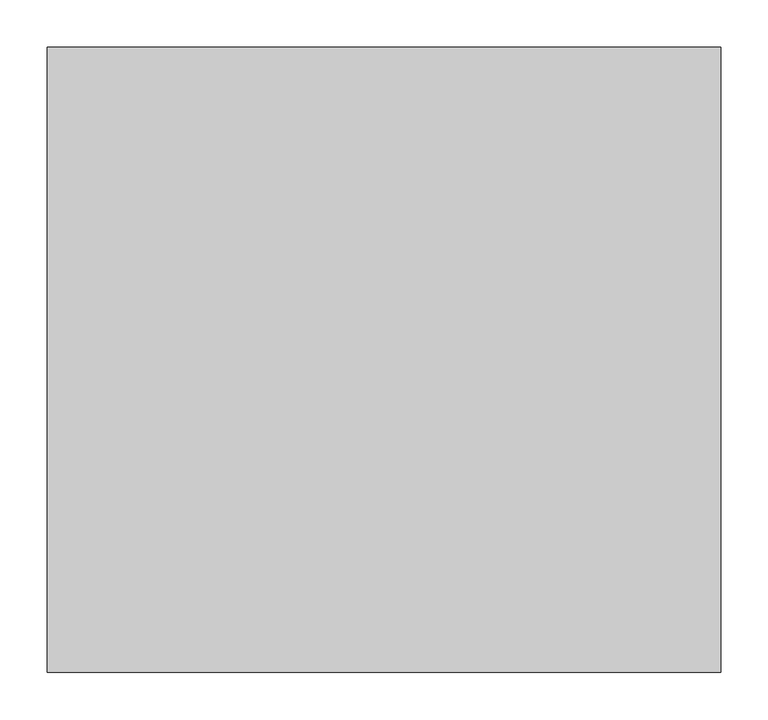
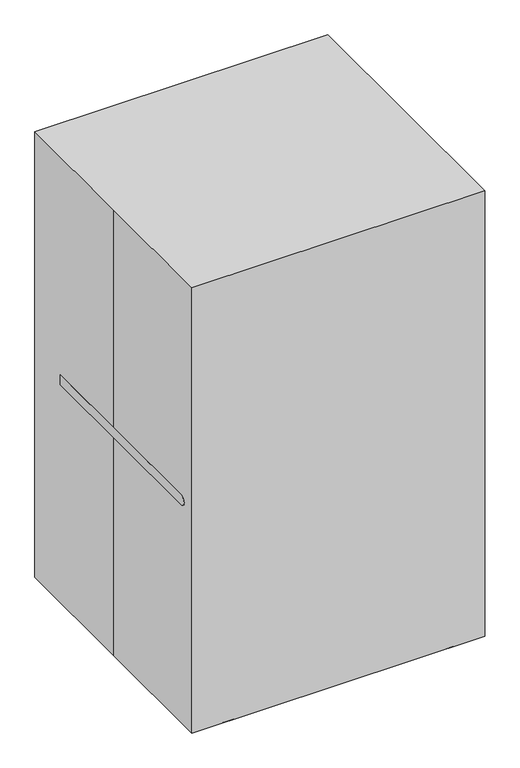
"""IFC4 building model written with IfcOpenShell, lengths in millimetres: proxy geometry."""

from ifc_helpers import new_model, si_unit, point, frame, frame_2d, origin, origin_with_axes, place, context, project, spatial, polyline, circle_curve, trimmed, segment, composite_curve, outline, extrude, source, transform, mapped, element, save


def specialty_equipment_62103501(model_context):
    return source(origin(), model_context, "Body", "SweptSolid", [
        extrude(outline(polyline([(51.1608426, 279.3620973), (260.35, 279.3620973), (260.35, 228.5620973), (25.4, 228.5620973), (25.4, 253.9620973), (51.1608426, 253.9620973), (51.1608426, 279.3620973)])), frame((0.0, -195.0719564, 0.0), z_axis=(0.0, 1.0, 0.0), x_axis=(0.0, 0.0, 1.0)), (0.0, 0.0, 1.0), 335.8487477),
        extrude(outline(polyline([(51.1608426, -279.3620973), (51.1608426, -253.9620973), (25.4, -253.9620973), (25.4, -228.5620973), (260.35, -228.5620973), (260.35, -279.3620973), (51.1608426, -279.3620973)])), frame((0.0, -195.0719564, 0.0), z_axis=(0.0, 1.0, 0.0), x_axis=(0.0, 0.0, 1.0)), (0.0, 0.0, 1.0), 335.8487477),
        extrude(outline(polyline([(0.0, -17.4625001), (0.0, 0.0), (457.1241946, 0.0), (457.1241946, -17.4625001), (0.0, -17.4625001)])), frame((228.5620973, 69.8141966, 105.1526289), z_axis=(0.0, 0.6050832675335499, 0.7961621941231086), x_axis=(-1.0, 0.0, 0.0)), (0.0, 0.0, 1.0), 93.8711689),
        extrude(outline(polyline([(0.0, -17.4625), (0.0, 0.0), (457.1241946, 0.0), (457.1241946, -17.4625), (0.0, -17.4625)])), frame((228.5620973, -129.0090984, 91.0377454), z_axis=(0.0, -0.6050832675335499, 0.7961621941231086), x_axis=(-1.0, 0.0, 0.0)), (0.0, 0.0, 1.0), 98.3283222),
        extrude(outline(composite_curve([segment(polyline([(-254.0, 0.0), (-330.2, 0.0)]), True, "CONTINUOUS"), segment(trimmed(circle_curve(frame_2d((-232.280998, -68.1253356)), 119.2861782), [point((-330.2, 0.0))], [point((-223.0097057, 50.8))], False, "CARTESIAN"), True, "CONTINUOUS"), segment(polyline([(-223.0097057, 50.8), (178.5528819, 50.8)]), True, "CONTINUOUS"), segment(trimmed(circle_curve(frame_2d((185.0313755, -61.8388426)), 112.8249961), [point((178.5528819, 50.8))], [point((279.4, 0.0))], False, "CARTESIAN"), True, "CONTINUOUS"), segment(polyline([(279.4, 0.0), (203.2, 0.0)]), True, "CONTINUOUS"), segment(trimmed(circle_curve(frame_2d((-25.4, -1804.0054931)), 1818.4316812), [point((203.2, 0.0))], [point((-254.0, 0.0))], True, "CARTESIAN"), True, "CONTINUOUS")], self_intersect=False)), frame((253.9620973, 0.0, 0.0), z_axis=(1.0, 0.0, 0.0), x_axis=(0.0, 1.0, 0.0)), (0.0, 0.0, 1.0), 25.4),
        extrude(outline(composite_curve([segment(polyline([(-254.0, 0.0), (-330.2, 0.0)]), True, "CONTINUOUS"), segment(trimmed(circle_curve(frame_2d((-232.280998, -68.1253356)), 119.2861782), [point((-330.2, 0.0))], [point((-223.0097057, 50.8))], False, "CARTESIAN"), True, "CONTINUOUS"), segment(polyline([(-223.0097057, 50.8), (178.5528819, 50.8)]), True, "CONTINUOUS"), segment(trimmed(circle_curve(frame_2d((185.0313755, -61.8388426)), 112.8249961), [point((178.5528819, 50.8))], [point((279.4, 0.0))], False, "CARTESIAN"), True, "CONTINUOUS"), segment(polyline([(279.4, 0.0), (203.2, 0.0)]), True, "CONTINUOUS"), segment(trimmed(circle_curve(frame_2d((-25.4, -1804.0054931)), 1818.4316812), [point((203.2, 0.0))], [point((-254.0, 0.0))], True, "CARTESIAN"), True, "CONTINUOUS")], self_intersect=False)), frame((-279.3620973, 0.0, 0.0), z_axis=(1.0, 0.0, 0.0), x_axis=(0.0, 1.0, 0.0)), (0.0, 0.0, 1.0), 25.4),
        extrude(outline(composite_curve([segment(polyline([(224.0631045, 359.2938458), (224.0631045, 584.2), (179.8829848, 584.2), (248.0023304, 1058.8090608)]), True, "CONTINUOUS"), segment(trimmed(circle_curve(frame_2d((298.2870362, 1051.591834)), 50.8), [point((248.0023304, 1058.8090608))], [point((298.2870362, 1102.391834))], False, "CARTESIAN"), True, "CONTINUOUS"), segment(polyline([(298.2870362, 1102.391834), (305.0576471, 1102.391834), (330.2, 1098.7832206), (224.0631045, 359.2938458)]), True, "CONTINUOUS")], self_intersect=False)), frame((279.3620973, 0.0, 0.0), z_axis=(1.0, 0.0, 0.0), x_axis=(0.0, 1.0, 0.0)), (0.0, 0.0, 1.0), 25.4),
        extrude(outline(composite_curve([segment(polyline([(208.8094279, 431.8), (196.85, 431.8), (158.75, 431.8)]), True, "CONTINUOUS"), segment(trimmed(circle_curve(frame_2d((158.75, 455.3424503)), 23.5424503), [point((158.75, 431.8))], [point((135.2075497, 455.3424503))], False, "CARTESIAN"), True, "CONTINUOUS"), segment(polyline([(135.2075497, 455.3424503), (226.021975, 1088.0753214)]), True, "CONTINUOUS"), segment(trimmed(circle_curve(frame_2d((263.7355043, 1082.6624012)), 38.1), [point((226.021975, 1088.0753214))], [point((301.4490337, 1077.2494811))], False, "CARTESIAN"), True, "CONTINUOUS"), segment(polyline([(301.4490337, 1077.2494811), (208.8094279, 431.8)]), True, "CONTINUOUS")], self_intersect=False)), frame((-279.3620973, 0.0, 0.0), z_axis=(1.0, 0.0, 0.0), x_axis=(0.0, 1.0, 0.0)), (0.0, 0.0, 1.0), 558.7241946),
        extrude(outline(composite_curve([segment(trimmed(circle_curve(frame_2d((-284.4670631, 571.5)), 12.7), [point((-284.4670631, 558.8))], [point((-284.4670631, 584.2))], False, "CARTESIAN"), True, "CONTINUOUS"), segment(polyline([(-284.4670631, 584.2), (223.5329369, 584.2), (223.5329369, 558.8), (-284.4670631, 558.8)]), True, "CONTINUOUS")], self_intersect=False)), frame((279.3620973, 0.0, 0.0), z_axis=(1.0, 0.0, 0.0), x_axis=(0.0, 1.0, 0.0)), (0.0, 0.0, 1.0), 76.2),
        extrude(outline(composite_curve([segment(trimmed(circle_curve(frame_2d((317.4620973, 210.8329369)), 12.7), [point((330.1620973, 210.8329369))], [point((304.7620973, 210.8329369))], False, "CARTESIAN"), True, "CONTINUOUS"), segment(trimmed(circle_curve(frame_2d((317.4620973, 210.8329369)), 12.7), [point((304.7620973, 210.8329369))], [point((330.1620973, 210.8329369))], False, "CARTESIAN"), True, "CONTINUOUS")], self_intersect=False)), frame((0.0, 0.0, 355.6), z_axis=(0.0, 0.0, 1.0), x_axis=(1.0, 0.0, 0.0)), (0.0, 0.0, 1.0), 203.2),
        extrude(outline(composite_curve([segment(trimmed(circle_curve(frame_2d((317.4620973, 58.4329369)), 12.7), [point((330.1620973, 58.4329369))], [point((304.7620973, 58.4329369))], False, "CARTESIAN"), True, "CONTINUOUS"), segment(trimmed(circle_curve(frame_2d((317.4620973, 58.4329369)), 12.7), [point((304.7620973, 58.4329369))], [point((330.1620973, 58.4329369))], False, "CARTESIAN"), True, "CONTINUOUS")], self_intersect=False)), frame((0.0, 0.0, 355.6), z_axis=(0.0, 0.0, 1.0), x_axis=(1.0, 0.0, 0.0)), (0.0, 0.0, 1.0), 203.2),
        extrude(outline(composite_curve([segment(trimmed(circle_curve(frame_2d((317.4620973, -93.9670631)), 12.7), [point((330.1620973, -93.9670631))], [point((304.7620973, -93.9670631))], False, "CARTESIAN"), True, "CONTINUOUS"), segment(trimmed(circle_curve(frame_2d((317.4620973, -93.9670631)), 12.7), [point((304.7620973, -93.9670631))], [point((330.1620973, -93.9670631))], False, "CARTESIAN"), True, "CONTINUOUS")], self_intersect=False)), frame((0.0, 0.0, 355.6), z_axis=(0.0, 0.0, 1.0), x_axis=(1.0, 0.0, 0.0)), (0.0, 0.0, 1.0), 203.2),
        extrude(outline(composite_curve([segment(trimmed(circle_curve(frame_2d((317.4620973, -246.3670631)), 12.7), [point((330.1620973, -246.3670631))], [point((304.7620973, -246.3670631))], False, "CARTESIAN"), True, "CONTINUOUS"), segment(trimmed(circle_curve(frame_2d((317.4620973, -246.3670631)), 12.7), [point((304.7620973, -246.3670631))], [point((330.1620973, -246.3670631))], False, "CARTESIAN"), True, "CONTINUOUS")], self_intersect=False)), frame((0.0, 0.0, 355.6), z_axis=(0.0, 0.0, 1.0), x_axis=(1.0, 0.0, 0.0)), (0.0, 0.0, 1.0), 203.2),
        extrude(outline(composite_curve([segment(polyline([(130.1715881, 25.4), (-22.2284119, 25.4), (-174.6284119, 25.4)]), True, "CONTINUOUS"), segment(trimmed(circle_curve(frame_2d((-128.8108028, 171.45)), 153.068141), [point((-174.6284119, 25.4))], [point((-174.6284119, 317.5))], False, "CARTESIAN"), True, "CONTINUOUS"), segment(polyline([(-174.6284119, 317.5), (-22.2284119, 317.5), (130.1715881, 317.5)]), True, "CONTINUOUS"), segment(trimmed(circle_curve(frame_2d((84.353979, 171.45)), 153.068141), [point((130.1715881, 317.5))], [point((130.1715881, 25.4))], False, "CARTESIAN"), True, "CONTINUOUS")], self_intersect=False)), frame((279.3620973, 0.0, 0.0), z_axis=(1.0, 0.0, 0.0), x_axis=(0.0, 1.0, 0.0)), (0.0, 0.0, 1.0), 25.4),
        extrude(outline(composite_curve([segment(polyline([(224.0631045, 359.2938458), (224.0631045, 584.2), (179.8829848, 584.2), (248.0023304, 1058.8090608)]), True, "CONTINUOUS"), segment(trimmed(circle_curve(frame_2d((298.2870362, 1051.591834)), 50.8), [point((248.0023304, 1058.8090608))], [point((298.2870362, 1102.391834))], False, "CARTESIAN"), True, "CONTINUOUS"), segment(polyline([(298.2870362, 1102.391834), (305.0576471, 1102.391834), (330.2, 1098.7832206), (224.0631045, 359.2938458)]), True, "CONTINUOUS")], self_intersect=False)), frame((-304.7620973, 0.0, 0.0), z_axis=(1.0, 0.0, 0.0), x_axis=(0.0, 1.0, 0.0)), (0.0, 0.0, 1.0), 25.4),
        extrude(outline(polyline([(330.2, 1098.7832206), (223.5329369, 355.6), (197.8726495, 355.6), (305.0576471, 1102.391834), (330.2, 1098.7832206)])), frame((-279.3620973, 0.0, 0.0), z_axis=(1.0, 0.0, 0.0), x_axis=(0.0, 1.0, 0.0)), (0.0, 0.0, 1.0), 558.7241946),
        extrude(outline(composite_curve([segment(polyline([(-12.7, 431.8), (196.85, 431.8), (196.85, 355.6), (-12.7, 355.6), (-273.05, 355.6)]), True, "CONTINUOUS"), segment(trimmed(circle_curve(frame_2d((-273.05, 393.7)), 38.1), [point((-273.05, 355.6))], [point((-273.05, 431.8))], False, "CARTESIAN"), True, "CONTINUOUS"), segment(polyline([(-273.05, 431.8), (-12.7, 431.8)]), True, "CONTINUOUS")], self_intersect=False)), frame((-279.3620973, 0.0, 0.0), z_axis=(1.0, 0.0, 0.0), x_axis=(0.0, 1.0, 0.0)), (0.0, 0.0, 1.0), 558.7241946),
        extrude(outline(composite_curve([segment(trimmed(circle_curve(frame_2d((-284.4670631, 571.5)), 12.7), [point((-284.4670631, 558.8))], [point((-284.4670631, 584.2))], False, "CARTESIAN"), True, "CONTINUOUS"), segment(polyline([(-284.4670631, 584.2), (223.5329369, 584.2), (223.5329369, 558.8), (-284.4670631, 558.8)]), True, "CONTINUOUS")], self_intersect=False)), frame((-355.5620973, 0.0, 0.0), z_axis=(1.0, 0.0, 0.0), x_axis=(0.0, 1.0, 0.0)), (0.0, 0.0, 1.0), 76.2),
        extrude(outline(composite_curve([segment(trimmed(circle_curve(frame_2d((-317.4620973, 210.8329369)), 12.7), [point((-330.1620973, 210.8329369))], [point((-304.7620973, 210.8329369))], False, "CARTESIAN"), True, "CONTINUOUS"), segment(trimmed(circle_curve(frame_2d((-317.4620973, 210.8329369)), 12.7), [point((-304.7620973, 210.8329369))], [point((-330.1620973, 210.8329369))], False, "CARTESIAN"), True, "CONTINUOUS")], self_intersect=False)), frame((0.0, 0.0, 355.6), z_axis=(0.0, 0.0, 1.0), x_axis=(1.0, 0.0, 0.0)), (0.0, 0.0, 1.0), 203.2),
        extrude(outline(composite_curve([segment(trimmed(circle_curve(frame_2d((-317.4620973, 58.4329369)), 12.7), [point((-330.1620973, 58.4329369))], [point((-304.7620973, 58.4329369))], False, "CARTESIAN"), True, "CONTINUOUS"), segment(trimmed(circle_curve(frame_2d((-317.4620973, 58.4329369)), 12.7), [point((-304.7620973, 58.4329369))], [point((-330.1620973, 58.4329369))], False, "CARTESIAN"), True, "CONTINUOUS")], self_intersect=False)), frame((0.0, 0.0, 355.6), z_axis=(0.0, 0.0, 1.0), x_axis=(1.0, 0.0, 0.0)), (0.0, 0.0, 1.0), 203.2),
        extrude(outline(composite_curve([segment(trimmed(circle_curve(frame_2d((-317.4620973, -93.9670631)), 12.7), [point((-330.1620973, -93.9670631))], [point((-304.7620973, -93.9670631))], False, "CARTESIAN"), True, "CONTINUOUS"), segment(trimmed(circle_curve(frame_2d((-317.4620973, -93.9670631)), 12.7), [point((-304.7620973, -93.9670631))], [point((-330.1620973, -93.9670631))], False, "CARTESIAN"), True, "CONTINUOUS")], self_intersect=False)), frame((0.0, 0.0, 355.6), z_axis=(0.0, 0.0, 1.0), x_axis=(1.0, 0.0, 0.0)), (0.0, 0.0, 1.0), 203.2),
        extrude(outline(composite_curve([segment(trimmed(circle_curve(frame_2d((-317.4620973, -246.3670631)), 12.7), [point((-330.1620973, -246.3670631))], [point((-304.7620973, -246.3670631))], False, "CARTESIAN"), True, "CONTINUOUS"), segment(trimmed(circle_curve(frame_2d((-317.4620973, -246.3670631)), 12.7), [point((-304.7620973, -246.3670631))], [point((-330.1620973, -246.3670631))], False, "CARTESIAN"), True, "CONTINUOUS")], self_intersect=False)), frame((0.0, 0.0, 355.6), z_axis=(0.0, 0.0, 1.0), x_axis=(1.0, 0.0, 0.0)), (0.0, 0.0, 1.0), 203.2),
        extrude(outline(polyline([(355.6, 254.0), (355.6, -304.8), (-330.1620973, -304.8), (-330.1620973, 254.0), (355.6, 254.0)])), frame((0.0, 0.0, 317.5), z_axis=(0.0, 0.0, 1.0), x_axis=(1.0, 0.0, 0.0)), (0.0, 0.0, 1.0), 38.1),
        extrude(outline(composite_curve([segment(polyline([(130.1715881, 25.4), (-22.2284119, 25.4), (-174.6284119, 25.4)]), True, "CONTINUOUS"), segment(trimmed(circle_curve(frame_2d((-128.8108028, 171.45)), 153.068141), [point((-174.6284119, 25.4))], [point((-174.6284119, 317.5))], False, "CARTESIAN"), True, "CONTINUOUS"), segment(polyline([(-174.6284119, 317.5), (-22.2284119, 317.5), (130.1715881, 317.5)]), True, "CONTINUOUS"), segment(trimmed(circle_curve(frame_2d((84.353979, 171.45)), 153.068141), [point((130.1715881, 317.5))], [point((130.1715881, 25.4))], False, "CARTESIAN"), True, "CONTINUOUS")], self_intersect=False)), frame((-304.7620973, 0.0, 0.0), z_axis=(1.0, 0.0, 0.0), x_axis=(0.0, 1.0, 0.0)), (0.0, 0.0, 1.0), 25.4),
        extrude(outline(polyline([(-355.6, 330.2), (355.6, 330.2), (355.6, -330.2), (-355.6, -330.2), (-355.6, 0.0), (-355.6, 330.2)])), origin_with_axes(), (0.0, 0.0, 1.0), 1143.0),
    ])


if __name__ == "__main__":
    model = new_model("IFC4")
    model_context = context("Model", 3, world=origin())
    ifc_project = project(units=[si_unit("LENGTHUNIT", "METRE", prefix="MILLI")], contexts=[model_context])
    site = spatial("IfcSite", under=ifc_project)
    building = spatial("IfcBuilding", under=site)
    placement = place(None, origin())
    specialty_equipment_shape = specialty_equipment_62103501(model_context)
    element("IfcBuildingElementProxy", 1, Name="Specialty Equipment", at=placement, inside=building, context=model_context, shape_type="MappedRepresentation", body=[
        mapped(specialty_equipment_shape, transform((0.0, 0.0, 0.0), x_axis=(1.0, 0.0, 0.0), y_axis=(0.0, 1.0, 0.0), z_axis=(0.0, 0.0, 1.0))),
    ])
    save(model, "model.ifc")
